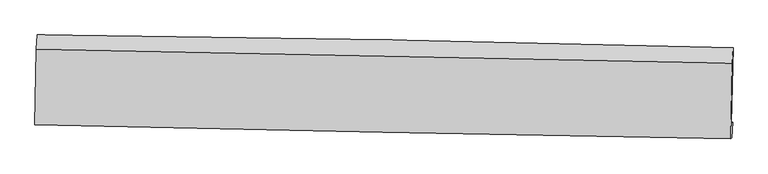
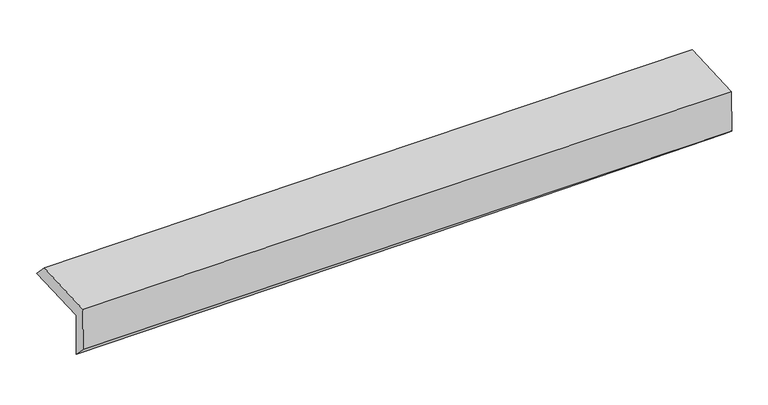
"""IFC4 building model written with IfcOpenShell, lengths in millimetres: proxy geometry."""

import ifcopenshell
import ifcopenshell.guid

model = None  # the IFC model being written
_history = None  # IfcOwnerHistory: only IFC2X3 demands one
_inside = {}  # id of a spatial element -> (the spatial element, [elements in it])
_under = {}  # id of a project, library or spatial element -> (it, [spatial elements below it])
_declared = {}  # id of a project -> (the project, [libraries it declares])
_typed = {}  # id of a type object -> (the type object, [elements of that type])
_made_of = {}  # id of a material, layer set ... -> (it, [elements and type objects made of it])


def new_model(schema):
    """Start an empty IFC model of exactly this schema.

    Asked for "IFC4X3", IfcOpenShell would pick the latest addendum, in which some entities
    have other attributes; the version numbers below select the first issue.
    IFC2X3 requires an IfcOwnerHistory on every rooted entity: one is made here for all.
    """
    global model, _history
    if schema == "IFC4X3":
        model = ifcopenshell.file(schema_version=(4, 3, 0, 0))
    else:
        model = ifcopenshell.file(schema=schema)
    _inside.clear()
    _under.clear()
    _declared.clear()
    _typed.clear()
    _made_of.clear()
    _history = None
    if model.schema == "IFC2X3":
        org = make("IfcOrganization", Name="unknown")
        user = make(
            "IfcPersonAndOrganization",
            ThePerson=make("IfcPerson", FamilyName="unknown"),
            TheOrganization=org,
        )
        app = make(
            "IfcApplication",
            ApplicationDeveloper=org,
            Version="unknown",
            ApplicationFullName="unknown",
            ApplicationIdentifier="unknown",
        )
        _history = make(
            "IfcOwnerHistory",
            OwningUser=user,
            OwningApplication=app,
            ChangeAction="ADDED",
            CreationDate=0,
        )
    return model


def make(cls, **values):
    """One entity of the class cls with the attributes given. An attribute that is None is left unset."""
    return model.create_entity(
        cls, **{name: value for name, value in values.items() if value is not None}
    )


def rooted(cls, **values):
    """An entity with a GlobalId (a new one), such as an element, a storey or a relation."""
    return make(cls, GlobalId=ifcopenshell.guid.new(), OwnerHistory=_history, **values)


def si_unit(unit_type, name, prefix=None):
    """IfcSIUnit, for example si_unit("LENGTHUNIT", "METRE", prefix="MILLI")."""
    return make("IfcSIUnit", UnitType=unit_type, Prefix=prefix, Name=name)


def assignment(units):
    """IfcUnitAssignment: the units of a project."""
    return None if units is None else make("IfcUnitAssignment", Units=units)


def point(xyz):
    """IfcCartesianPoint."""
    return None if xyz is None else make("IfcCartesianPoint", Coordinates=xyz)


def direction(xyz):
    """IfcDirection."""
    return None if xyz is None else make("IfcDirection", DirectionRatios=xyz)


def frame(location, z_axis=None, x_axis=None):
    """IfcAxis2Placement3D, a coordinate frame: its origin and axes. An axis left out is left unset."""
    return make(
        "IfcAxis2Placement3D",
        Location=point(location),
        Axis=direction(z_axis),
        RefDirection=direction(x_axis),
    )


def origin():
    """The frame at (0, 0, 0) with its axes left unset."""
    return frame((0.0, 0.0, 0.0))


def place(relative_to, where):
    """IfcLocalPlacement: puts the frame where relative to a parent placement (None: the world)."""
    return make(
        "IfcLocalPlacement", PlacementRelTo=relative_to, RelativePlacement=where
    )


def context(
    kind, dimensions, precision=None, world=None, true_north=None, identifier=None
):
    """IfcGeometricRepresentationContext, for example the 3D "Model" context."""
    return make(
        "IfcGeometricRepresentationContext",
        ContextIdentifier=identifier,
        ContextType=kind,
        CoordinateSpaceDimension=dimensions,
        Precision=precision,
        WorldCoordinateSystem=world,
        TrueNorth=true_north,
    )


def project(units=None, contexts=None):
    """IfcProject with its units and contexts."""
    return rooted(
        "IfcProject",
        Name="project",
        RepresentationContexts=contexts,
        UnitsInContext=assignment(units),
    )


def spatial(cls, under=None, at=None, **own):
    """A site, building, storey or space (cls), placed at a placement, below another one or the project."""
    s = rooted(cls, ObjectPlacement=at, **own)
    if under is not None:
        _under.setdefault(under.id(), (under, []))[1].append(s)
    return s


def shape(context_of_items, identifier, shape_type, items):
    """IfcShapeRepresentation: the items that make up one representation, for example the "Body"."""
    return make(
        "IfcShapeRepresentation",
        ContextOfItems=context_of_items,
        RepresentationIdentifier=identifier,
        RepresentationType=shape_type,
        Items=items,
    )


def source(mapping_origin, context_of_items, identifier, shape_type, items):
    """IfcRepresentationMap: a shape defined once, which mapped items show again and again."""
    return make(
        "IfcRepresentationMap",
        MappingOrigin=mapping_origin,
        MappedRepresentation=shape(context_of_items, identifier, shape_type, items),
    )


def transform(
    local_origin,
    x_axis=None,
    y_axis=None,
    z_axis=None,
    scale=None,
    scale2=None,
    scale3=None,
    uniform=True,
):
    """IfcCartesianTransformationOperator3D, or its non-uniform kind. x_axis, y_axis, z_axis: its Axis1, 2, 3."""
    if uniform:
        return make(
            "IfcCartesianTransformationOperator3D",
            Axis1=direction(x_axis),
            Axis2=direction(y_axis),
            LocalOrigin=point(local_origin),
            Scale=scale,
            Axis3=direction(z_axis),
        )
    return make(
        "IfcCartesianTransformationOperator3DnonUniform",
        Axis1=direction(x_axis),
        Axis2=direction(y_axis),
        LocalOrigin=point(local_origin),
        Scale=scale,
        Axis3=direction(z_axis),
        Scale2=scale2,
        Scale3=scale3,
    )


def mapped(mapping_source, mapping_target):
    """IfcMappedItem: shows the shape of a source again, moved by a transform."""
    return make(
        "IfcMappedItem", MappingSource=mapping_source, MappingTarget=mapping_target
    )


def made_of(thing, what):
    """Note that an element or type object is made of a material, layer set ...; save() writes the relation."""
    if what is not None:
        _made_of.setdefault(what.id(), (what, []))[1].append(thing)
    return thing


def element(
    cls,
    number,
    at=None,
    inside=None,
    cuts=None,
    type_object=None,
    material=None,
    context=None,
    identifier="Body",
    shape_type=None,
    held_by="IfcProductDefinitionShape",
    body=None,
    shapes=None,
    **own,
):
    """One element of the class cls, such as IfcWall. Its Tag is "e" and its number.

    at: its placement. inside: the storey or other place that contains it. cuts: it is an
    opening in that element (IfcRelVoidsElement). A single representation is given by context,
    identifier, shape_type and body (its items); several are given by shapes. held_by: the class
    of the entity that holds the representations. save() writes the other relations.
    """
    e = rooted(cls, Tag="e%d" % number, ObjectPlacement=at, **own)
    if body is not None:
        shapes = [shape(context, identifier, shape_type, body)]
    if shapes is not None:
        e.Representation = make(held_by, Representations=shapes)
    if inside is not None:
        _inside.setdefault(inside.id(), (inside, []))[1].append(e)
    if cuts is not None:
        rooted(
            "IfcRelVoidsElement", RelatingBuildingElement=cuts, RelatedOpeningElement=e
        )
    if type_object is not None:
        _typed.setdefault(type_object.id(), (type_object, []))[1].append(e)
    return made_of(e, material)


def aggregate(whole, parts):
    """IfcRelAggregates: a whole, such as a stair, and the parts it consists of."""
    return rooted("IfcRelAggregates", RelatingObject=whole, RelatedObjects=parts)


def save(model, path):
    """Write the relations noted so far, then the file.

    IfcRelAggregates (storeys below a building ...), IfcRelContainedInSpatialStructure (elements
    in a storey), IfcRelDefinesByType, IfcRelAssociatesMaterial and IfcRelDeclares: one each for
    every whole, place, type object, material and project.
    """
    for whole, parts in _under.values():
        aggregate(whole, parts)
    for where, things in _inside.values():
        rooted(
            "IfcRelContainedInSpatialStructure",
            RelatedElements=things,
            RelatingStructure=where,
        )
    for kind, things in _typed.values():
        rooted("IfcRelDefinesByType", RelatedObjects=things, RelatingType=kind)
    for what, things in _made_of.values():
        rooted("IfcRelAssociatesMaterial", RelatedObjects=things, RelatingMaterial=what)
    for by, libraries in _declared.values():
        rooted("IfcRelDeclares", RelatingContext=by, RelatedDefinitions=libraries)
    model.write(path)


def plane_surface(at):
    """IfcPlane: the flat surface through the origin of the frame at, square to its z axis."""
    return make("IfcPlane", Position=at)


def spline_curve(degree, points, multiplicities, knots, weights=None):
    """IfcBSplineCurveWithKnots; with weights, IfcRationalBSplineCurveWithKnots."""
    own = dict(
        Degree=degree,
        ControlPointsList=[point(p) for p in points],
        CurveForm="UNSPECIFIED",
        ClosedCurve=False,
        SelfIntersect=False,
        KnotMultiplicities=multiplicities,
        Knots=knots,
        KnotSpec="UNSPECIFIED",
    )
    if weights is None:
        return make("IfcBSplineCurveWithKnots", **own)
    return make("IfcRationalBSplineCurveWithKnots", WeightsData=weights, **own)


def spline_surface(u_degree, v_degree, points, u_multiplicities, v_multiplicities, u_knots, v_knots, weights=None):
    """IfcBSplineSurfaceWithKnots; with weights, IfcRationalBSplineSurfaceWithKnots. points: one row for each step in u."""
    own = dict(
        UDegree=u_degree,
        VDegree=v_degree,
        ControlPointsList=[[point(p) for p in row] for row in points],
        SurfaceForm="UNSPECIFIED",
        UClosed=False,
        VClosed=False,
        SelfIntersect=False,
        UMultiplicities=u_multiplicities,
        VMultiplicities=v_multiplicities,
        UKnots=u_knots,
        VKnots=v_knots,
        KnotSpec="UNSPECIFIED",
    )
    if weights is None:
        return make("IfcBSplineSurfaceWithKnots", **own)
    return make("IfcRationalBSplineSurfaceWithKnots", WeightsData=weights, **own)


def advanced_brep(points, edges, surfaces, faces):
    """IfcAdvancedBrep: a solid bounded by faces that lie on surfaces and meet in shared edges.

    An edge is (start, end): straight between two places in points (the first is 0);
    or (start, end, curve); or (start, end, curve, False) where it runs against its curve.
    A face is (place in surfaces, loops), or (place, loops, False) where it looks against
    its surface's normal. A loop lists edges by number (the first is 1), with a minus sign
    where the edge is run from its end to its start. The first loop is the outer one.
    """
    corners = [point(p) for p in points]
    vertices = [make("IfcVertexPoint", VertexGeometry=c) for c in corners]
    made = []
    for start, end, *more in edges:
        made.append(
            make(
                "IfcEdgeCurve",
                EdgeStart=vertices[start],
                EdgeEnd=vertices[end],
                EdgeGeometry=more[0] if more else make("IfcPolyline", Points=[corners[start], corners[end]]),
                SameSense=more[1] if len(more) > 1 else True,
            )
        )
    hull = []
    for where, loops, *sense in faces:
        bounds = []
        for j, loop in enumerate(loops):
            ring = [make("IfcOrientedEdge", EdgeElement=made[abs(k) - 1], Orientation=k > 0) for k in loop]
            bounds.append(
                make(
                    "IfcFaceOuterBound" if j == 0 else "IfcFaceBound",
                    Bound=make("IfcEdgeLoop", EdgeList=ring),
                    Orientation=True,
                )
            )
        hull.append(make("IfcAdvancedFace", Bounds=bounds, FaceSurface=surfaces[where], SameSense=sense[0] if sense else True))
    return make("IfcAdvancedBrep", Outer=make("IfcClosedShell", CfsFaces=hull))


def generic_models_f4295887(model_context):
    return source(origin(), model_context, "Body", "AdvancedBrep", [
        advanced_brep(
        [(-3031.0274747, -1760.5239395, 1960.1022534), (-3017.0704271, -1096.9298664, 1972.6740107), (3020.3789586, -1206.3827683, 2111.4041902), (3006.3064346, -1864.8779038, 2108.9282571), (-3021.7660286, -1744.5278128, 1559.7084654), (3015.5826732, -1852.4086226, 1704.4732191), (-3027.286116, -1869.3217148, 1687.3341764), (3010.0383031, -1990.333894, 1820.5407303), (-3036.5010865, -1876.8287224, 2093.8182823), (3000.9069421, -1997.7727888, 2223.3367157), (-3022.7504969, -1223.0507877, 2106.2040733), (3014.7196393, -1341.0419202, 2235.7784499)],
        [
            (0, 1),
            (1, 2, spline_curve(3, [(-3017.0704271, -1096.9298664, 1972.6740107), (-2010.541399869, -1105.265988274, 1992.392957698), (-1004.155675822, -1118.555136596, 2013.813290762), (1008.327452248, -1155.039453935, 2060.056689659), (2014.424856612, -1178.234606552, 2084.879749712), (3020.3789586, -1206.3827683, 2111.4041902)], [4, 2, 4], [0.0, 9.908316379595762, 19.81661588391354])),
            (2, 3),
            (3, 0, spline_curve(3, [(3006.3064346, -1864.8779038, 2108.9282571), (2000.281674216, -1845.383895243, 2077.240252968), (994.158563367, -1826.940733731, 2048.99409174), (-1018.286072909, -1792.156075647, 1999.385412015), (-2024.607598473, -1775.814582145, 1978.022905379), (-3031.0274747, -1760.5239395, 1960.1022534)], [4, 2, 4], [0.0, 9.908299504317776, 19.81661588391354])),
            (4, 0),
            (3, 5),
            (5, 4, spline_curve(3, [(3015.5826732, -1852.4086226, 1704.4732191), (2009.550516647, -1831.151191754, 1674.815839398), (1003.422474733, -1811.532415467, 1647.923428053), (-1009.027092079, -1775.572139711, 1599.668500855), (-2015.348617685, -1759.230646513, 1578.30599423), (-3021.7660286, -1744.5278128, 1559.7084654)], [4, 2, 4], [0.0, 9.908289013405328, 19.816594902070776])),
            (6, 4),
            (5, 7),
            (7, 6, spline_curve(3, [(3010.0383031, -1990.333894, 1820.5407303), (2003.649457078, -1972.987459517, 1803.130113056), (997.345094224, -1954.229903987, 1783.324269724), (-1015.096379163, -1913.892515662, 1738.922093465), (-2021.233489253, -1892.312678403, 1714.325752161), (-3027.286116, -1869.3217148, 1687.3341764)], [4, 2, 4], [0.0, 9.908161961243513, 19.816340797530756])),
            (8, 6),
            (7, 9),
            (9, 8, spline_curve(3, [(3000.9069421, -1997.7727888, 2223.3367157), (1994.551825366, -1980.398876781, 2204.438251943), (988.257359833, -1961.633258224, 2184.195827515), (-1024.211983196, -1921.318574045, 2141.02302072), (-2030.386860413, -1899.769503925, 2118.09263421), (-3036.5010865, -1876.8287224, 2093.8182823)], [4, 2, 4], [0.0, 9.908170751420771, 19.816358377900244])),
            (10, 8),
            (9, 11),
            (11, 10, spline_curve(3, [(3014.7196393, -1341.0419202, 2235.7784499), (2008.394953627, -1322.221156939, 2216.907396463), (1002.110527607, -1302.978189556, 2196.674015479), (-1010.379517587, -1263.647813751, 2153.48256134), (-2016.585137516, -1243.560403334, 2130.524483596), (-3022.7504969, -1223.0507877, 2106.2040733)], [4, 2, 4], [0.0, 9.908157905769016, 19.816332686574857])),
            (1, 10),
            (11, 2),
        ],
        [
            spline_surface(3, 3, [[(-3031.0274747, -1760.5239395, 1960.1022534), (-2024.60759842, -1775.814582225, 1978.022905528), (-1018.286072814, -1792.156075506, 1999.38541207), (994.158563272, -1826.940733873, 2048.994091684), (2000.281674124, -1845.383895318, 2077.240253062), (3006.3064346, -1864.8779038, 2108.9282571)], [(-3026.37512551, -1539.325915155, 1964.292839169), (-2019.918865585, -1552.298384288, 1982.812922903), (-1013.575940487, -1567.622429156, 2004.194704956), (998.881526265, -1602.973640572, 2052.681624354), (2004.996068342, -1623.000799048, 2079.786751982), (3010.997275941, -1645.37952531, 2109.75356815)], [(-3021.72277629, -1318.127890745, 1968.483424931), (-2015.23013272, -1328.782186287, 1987.602940272), (-1008.865808156, -1343.088782858, 2009.003997841), (1003.604489262, -1379.006547323, 2056.369157023), (2009.710462537, -1400.617702748, 2082.333250852), (3015.688117259, -1425.88114679, 2110.57887915)], [(-3017.0704271, -1096.9298664, 1972.6740107), (-2010.541399885, -1105.26598835, 1992.392957647), (-1004.155675829, -1118.555136508, 2013.813290727), (1008.327452255, -1155.039454023, 2060.056689694), (2014.424856755, -1178.234606479, 2084.879749772), (3020.3789586, -1206.3827683, 2111.4041902)]], [4, 4], [4, 2, 4], [0.0, 2.2080727927062225], [0.0, 9.908316379595762, 19.81661588391354]),
            spline_surface(3, 3, [[(-3021.7660286, -1744.5278128, 1559.7084654), (-2015.34861774, -1759.230646441, 1578.305994248), (-1009.027092134, -1775.572139821, 1599.66850079), (1003.422474788, -1811.532415356, 1647.923428117), (2009.550516485, -1831.15119187, 1674.815839458), (3015.5826732, -1852.4086226, 1704.4732191)], [(-3024.85317731, -1749.859855024, 1693.173061417), (-2018.434944644, -1764.758625026, 1711.544964692), (-1012.113419038, -1781.100118406, 1732.907471234), (1000.334504272, -1816.668521552, 1781.613649324), (2006.46090236, -1835.895426344, 1808.957310658), (3012.490593662, -1856.565049658, 1839.291565099)], [(-3027.94032599, -1755.191897276, 1826.637657383), (-2021.521271516, -1770.28660364, 1844.783935084), (-1015.19974591, -1786.628096921, 1866.146441626), (997.246533788, -1821.804627677, 1915.303870478), (2003.371288249, -1840.639660844, 1943.098781862), (3009.398514138, -1860.721476742, 1974.109911101)], [(-3031.0274747, -1760.5239395, 1960.1022534), (-2024.60759842, -1775.814582225, 1978.022905528), (-1018.286072814, -1792.156075506, 1999.38541207), (994.158563272, -1826.940733873, 2048.994091684), (2000.281674124, -1845.383895318, 2077.240253062), (3006.3064346, -1864.8779038, 2108.9282571)]], [4, 4], [4, 2, 4], [0.0, 1.3150269106589867], [0.0, 9.908305888665447, 19.816594902070776]),
            spline_surface(3, 3, [[(-3027.286116, -1869.3217148, 1687.3341764), (-2021.233489289, -1892.312678308, 1714.325751998), (-1015.096379126, -1913.892515698, 1738.922093363), (997.345094187, -1954.229903952, 1783.324269826), (2003.649457073, -1972.987459641, 1803.130113117), (3010.0383031, -1990.333894, 1820.5407303)], [(-3025.446086865, -1827.723747457, 1644.792272718), (-2019.271865437, -1847.95200101, 1668.985832732), (-1013.073283448, -1867.785723718, 1692.504229151), (999.370887735, -1906.664074399, 1738.190655902), (2005.616476869, -1925.708703734, 1760.358688568), (3011.886426459, -1944.35880355, 1781.851559904)], [(-3023.606057735, -1786.125780143, 1602.250369082), (-2017.310241592, -1803.591323739, 1623.645913513), (-1011.050187812, -1821.678931801, 1646.086365002), (1001.39668124, -1859.098244909, 1693.057042041), (2007.583496689, -1878.429947777, 1717.587264006), (3013.734549841, -1898.38371305, 1743.162389496)], [(-3021.7660286, -1744.5278128, 1559.7084654), (-2015.34861774, -1759.230646441, 1578.305994248), (-1009.027092134, -1775.572139821, 1599.66850079), (1003.422474788, -1811.532415356, 1647.923428117), (2009.550516485, -1831.15119187, 1674.815839458), (3015.5826732, -1852.4086226, 1704.4732191)]], [4, 4], [4, 2, 4], [0.0, 0.644903390108963], [0.0, 9.908178836287243, 19.816340797530756]),
            spline_surface(3, 3, [[(-3036.5010865, -1876.8287224, 2093.8182823), (-2030.386860488, -1899.769503824, 2118.092634123), (-1024.211983209, -1921.318574099, 2141.023020837), (988.257359846, -1961.63325817, 2184.195827398), (1994.55182547, -1980.398876671, 2204.438251806), (3000.9069421, -1997.7727888, 2223.3367157)], [(-3033.429429672, -1874.326386535, 1958.323580351), (-2027.33573676, -1897.283895321, 1983.503673432), (-1021.173448512, -1918.843221293, 2006.989378354), (991.286604629, -1959.165473425, 2050.571974882), (1997.584369342, -1977.928404311, 2070.668872243), (3003.950729104, -1995.293157183, 2089.071387233)], [(-3030.357772828, -1871.824050665, 1822.828878349), (-2024.284613017, -1894.798286812, 1848.914712689), (-1018.134913823, -1916.367868504, 1872.955735846), (994.315849404, -1956.697688697, 1916.948122342), (2000.616913201, -1975.457932001, 1936.89949268), (3006.994516096, -1992.813525617, 1954.806058767)], [(-3027.286116, -1869.3217148, 1687.3341764), (-2021.233489289, -1892.312678308, 1714.325751998), (-1015.096379126, -1913.892515698, 1738.922093363), (997.345094187, -1954.229903952, 1783.324269826), (2003.649457073, -1972.987459641, 1803.130113117), (3010.0383031, -1990.333894, 1820.5407303)]], [4, 4], [4, 2, 4], [0.0, 1.3177750720529122], [0.0, 9.908187626479473, 19.816358377900244]),
            spline_surface(3, 3, [[(-3022.7504969, -1223.0507877, 2106.2040733), (-2016.585137377, -1243.560403443, 2130.524483438), (-1010.379517751, -1263.64781362, 2153.482561295), (1002.11052777, -1302.978189687, 2196.674015524), (2008.394953576, -1322.221156999, 2216.907396529), (3014.7196393, -1341.0419202, 2235.7784499)], [(-3027.334026755, -1440.97676595, 2102.075476285), (-2021.185711735, -1462.296770253, 2126.380533651), (-1014.990339568, -1482.871400447, 2149.329381149), (997.492805131, -1522.529879183, 2192.514619488), (2003.780577551, -1541.613730246, 2212.751014943), (3010.11540691, -1559.952209756, 2231.631205155)], [(-3031.917556645, -1658.90274415, 2097.946879315), (-2025.78628613, -1681.033137014, 2122.23658391), (-1019.601161392, -1702.094987272, 2145.176200983), (992.875082485, -1742.081568675, 2188.355223434), (1999.166201495, -1761.006303425, 2208.594633392), (3005.51117449, -1778.862499244, 2227.483960445)], [(-3036.5010865, -1876.8287224, 2093.8182823), (-2030.386860488, -1899.769503824, 2118.092634123), (-1024.211983209, -1921.318574099, 2141.023020837), (988.257359846, -1961.63325817, 2184.195827398), (1994.55182547, -1980.398876671, 2204.438251806), (3000.9069421, -1997.7727888, 2223.3367157)]], [4, 4], [4, 2, 4], [0.0, 2.160192081471397], [0.0, 9.90817478080584, 19.816332686574857]),
            spline_surface(3, 3, [[(-3017.0704271, -1096.9298664, 1972.6740107), (-2010.541399885, -1105.26598835, 1992.392957647), (-1004.155675829, -1118.555136508, 2013.813290727), (1008.327452255, -1155.039454023, 2060.056689694), (2014.424856755, -1178.234606479, 2084.879749772), (3020.3789586, -1206.3827683, 2111.4041902)], [(-3018.963783689, -1138.970173479, 2017.184031561), (-2012.555979037, -1151.364126694, 2038.436799572), (-1006.23028981, -1166.919362232, 2060.369714238), (1006.255144086, -1204.352365931, 2105.595798292), (2012.414889019, -1226.230123295, 2128.888965349), (3018.492518823, -1251.269152242, 2152.862276758)], [(-3020.857140311, -1181.010480621, 2061.694052439), (-2014.570558224, -1197.4622651, 2084.480641514), (-1008.30490377, -1215.283587896, 2106.926137784), (1004.182835939, -1253.665277779, 2151.134906925), (2010.404921312, -1274.225640184, 2172.898180951), (3016.606079077, -1296.155536258, 2194.320363342)], [(-3022.7504969, -1223.0507877, 2106.2040733), (-2016.585137377, -1243.560403443, 2130.524483438), (-1010.379517751, -1263.64781362, 2153.482561295), (1002.11052777, -1302.978189687, 2196.674015524), (2008.394953576, -1322.221156999, 2216.907396529), (3014.7196393, -1341.0419202, 2235.7784499)]], [4, 4], [4, 2, 4], [0.0, 0.6609823077016208], [0.0, 9.908208635842843, 19.816400396591206]),
            plane_surface(frame((3011.3221585, -1708.802983, 2034.076927), z_axis=(0.9995221361312504, -0.02144423001812024, 0.022263072172376497), x_axis=(0.02266025530364355, 0.018460255402316886, -0.9995727746392731))),
            plane_surface(frame((-3026.0669383, -1595.1971406, 1896.6402102), z_axis=(-0.9995221361312412, 0.02144423001829404, -0.022263072172619164), x_axis=(-0.02102408650104221, -0.9995996018253529, -0.018937365640256335))),
        ],
        [
            (0, [[1, 2, 3, 4]]),
            (1, [[5, -4, 6, 7]]),
            (2, [[8, -7, 9, 10]]),
            (3, [[11, -10, 12, 13]]),
            (4, [[14, -13, 15, 16]]),
            (5, [[17, -16, 18, -2]]),
            (6, [[-12, -9, -6, -3, -18, -15]]),
            (7, [[-1, -5, -8, -11, -14, -17]]),
        ],
    ),
    ])


if __name__ == "__main__":
    model = new_model("IFC4")
    model_context = context("Model", 3, world=origin())
    ifc_project = project(units=[si_unit("LENGTHUNIT", "METRE", prefix="MILLI")], contexts=[model_context])
    site = spatial("IfcSite", under=ifc_project)
    building = spatial("IfcBuilding", under=site)
    placement = place(None, origin())
    generic_models_shape = generic_models_f4295887(model_context)
    element("IfcBuildingElementProxy", 1, Name="Generic Models", at=placement, inside=building, context=model_context, shape_type="MappedRepresentation", body=[
        mapped(generic_models_shape, transform((0.0, 0.0, 0.0), x_axis=(1.0, 0.0, 0.0), y_axis=(0.0, 1.0, 0.0), z_axis=(0.0, 0.0, 1.0))),
    ])
    save(model, "model.ifc")
